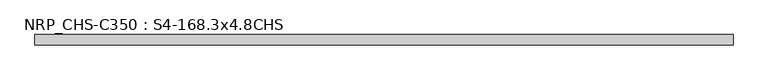
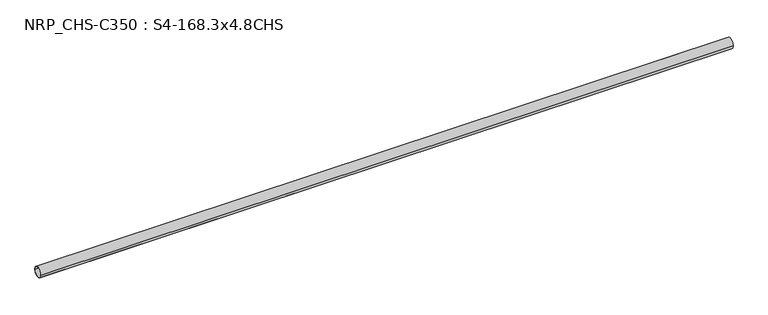
"""IFC4 building model written with IfcOpenShell, lengths in millimetres: beam geometry, NRP_CHS-C350 : S4-168.3x4.8CHS."""

from ifc_helpers import new_model, si_unit, point, frame, origin, origin_2d, place, context, project, spatial, circle_curve, trimmed, segment, composite_curve, outline, extrude, source, transform, mapped, element, save


def nrp_chs_c350_s4_168_3x4_8chs_f6cacb05(model_context):
    return source(origin(), model_context, "Body", "SweptSolid", [
        extrude(outline(composite_curve([segment(trimmed(circle_curve(origin_2d(), 84.15), [point((84.15, 0.0))], [point((-84.15, 0.0))], False, "CARTESIAN"), True, "CONTINUOUS"), segment(trimmed(circle_curve(origin_2d(), 84.15), [point((-84.15, 0.0))], [point((84.15, 0.0))], False, "CARTESIAN"), True, "CONTINUOUS")], self_intersect=False), holes=[composite_curve([segment(trimmed(circle_curve(origin_2d(), 79.35), [point((-79.35, 0.0))], [point((79.35, 0.0))], True, "CARTESIAN"), True, "CONTINUOUS"), segment(trimmed(circle_curve(origin_2d(), 79.35), [point((79.35, 0.0))], [point((-79.35, 0.0))], True, "CARTESIAN"), True, "CONTINUOUS")], self_intersect=False)]), frame((-5491.2, 0.0, 0.0), z_axis=(1.0, 0.0, 0.0), x_axis=(0.0, 1.0, 0.0)), (0.0, 0.0, 1.0), 11141.1),
    ])


if __name__ == "__main__":
    model = new_model("IFC4")
    model_context = context("Model", 3, world=origin())
    ifc_project = project(units=[si_unit("LENGTHUNIT", "METRE", prefix="MILLI")], contexts=[model_context])
    site = spatial("IfcSite", under=ifc_project)
    building = spatial("IfcBuilding", under=site)
    placement = place(None, origin())
    nrp_chs_c350_s4_168_3x4_8chs_shape = nrp_chs_c350_s4_168_3x4_8chs_f6cacb05(model_context)
    element("IfcBeam", 1, ObjectType="NRP_CHS-C350 : S4-168.3x4.8CHS", at=placement, inside=building, context=model_context, shape_type="MappedRepresentation", body=[
        mapped(nrp_chs_c350_s4_168_3x4_8chs_shape, transform((0.0, 0.0, 0.0), x_axis=(1.0, 0.0, 0.0), y_axis=(0.0, 1.0, 0.0), z_axis=(0.0, 0.0, 1.0))),
    ])
    save(model, "model.ifc")
